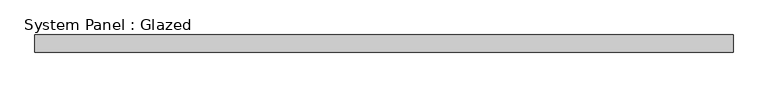
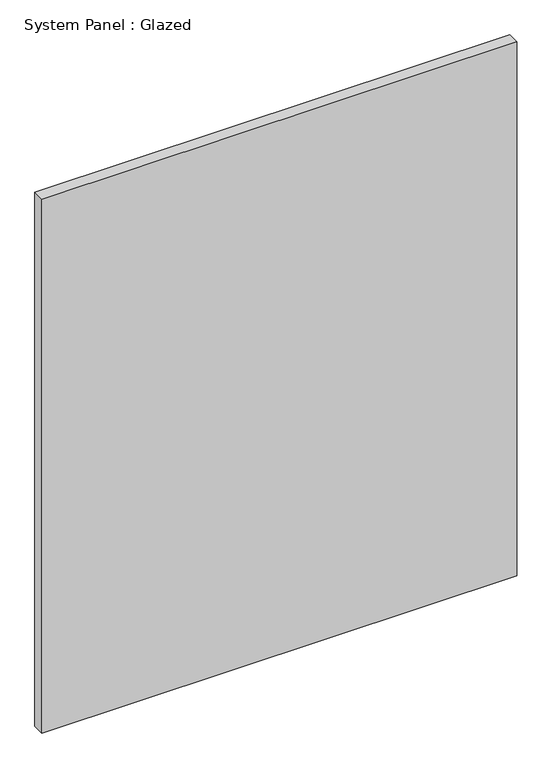
"""IFC4 building model written with IfcOpenShell, lengths in millimetres: plate geometry, System Panel : Glazed."""

import ifcopenshell
import ifcopenshell.guid

model = None  # the IFC model being written
_history = None  # IfcOwnerHistory: only IFC2X3 demands one
_inside = {}  # id of a spatial element -> (the spatial element, [elements in it])
_under = {}  # id of a project, library or spatial element -> (it, [spatial elements below it])
_declared = {}  # id of a project -> (the project, [libraries it declares])
_typed = {}  # id of a type object -> (the type object, [elements of that type])
_made_of = {}  # id of a material, layer set ... -> (it, [elements and type objects made of it])


def new_model(schema):
    """Start an empty IFC model of exactly this schema.

    Asked for "IFC4X3", IfcOpenShell would pick the latest addendum, in which some entities
    have other attributes; the version numbers below select the first issue.
    IFC2X3 requires an IfcOwnerHistory on every rooted entity: one is made here for all.
    """
    global model, _history
    if schema == "IFC4X3":
        model = ifcopenshell.file(schema_version=(4, 3, 0, 0))
    else:
        model = ifcopenshell.file(schema=schema)
    _inside.clear()
    _under.clear()
    _declared.clear()
    _typed.clear()
    _made_of.clear()
    _history = None
    if model.schema == "IFC2X3":
        org = make("IfcOrganization", Name="unknown")
        user = make(
            "IfcPersonAndOrganization",
            ThePerson=make("IfcPerson", FamilyName="unknown"),
            TheOrganization=org,
        )
        app = make(
            "IfcApplication",
            ApplicationDeveloper=org,
            Version="unknown",
            ApplicationFullName="unknown",
            ApplicationIdentifier="unknown",
        )
        _history = make(
            "IfcOwnerHistory",
            OwningUser=user,
            OwningApplication=app,
            ChangeAction="ADDED",
            CreationDate=0,
        )
    return model


def make(cls, **values):
    """One entity of the class cls with the attributes given. An attribute that is None is left unset."""
    return model.create_entity(
        cls, **{name: value for name, value in values.items() if value is not None}
    )


def rooted(cls, **values):
    """An entity with a GlobalId (a new one), such as an element, a storey or a relation."""
    return make(cls, GlobalId=ifcopenshell.guid.new(), OwnerHistory=_history, **values)


def si_unit(unit_type, name, prefix=None):
    """IfcSIUnit, for example si_unit("LENGTHUNIT", "METRE", prefix="MILLI")."""
    return make("IfcSIUnit", UnitType=unit_type, Prefix=prefix, Name=name)


def assignment(units):
    """IfcUnitAssignment: the units of a project."""
    return None if units is None else make("IfcUnitAssignment", Units=units)


def point(xyz):
    """IfcCartesianPoint."""
    return None if xyz is None else make("IfcCartesianPoint", Coordinates=xyz)


def direction(xyz):
    """IfcDirection."""
    return None if xyz is None else make("IfcDirection", DirectionRatios=xyz)


def frame(location, z_axis=None, x_axis=None):
    """IfcAxis2Placement3D, a coordinate frame: its origin and axes. An axis left out is left unset."""
    return make(
        "IfcAxis2Placement3D",
        Location=point(location),
        Axis=direction(z_axis),
        RefDirection=direction(x_axis),
    )


def origin():
    """The frame at (0, 0, 0) with its axes left unset."""
    return frame((0.0, 0.0, 0.0))


def origin_with_axes():
    """The frame at (0, 0, 0) with the z axis (0, 0, 1) and the x axis (1, 0, 0) written out."""
    return frame((0.0, 0.0, 0.0), z_axis=(0.0, 0.0, 1.0), x_axis=(1.0, 0.0, 0.0))


def place(relative_to, where):
    """IfcLocalPlacement: puts the frame where relative to a parent placement (None: the world)."""
    return make(
        "IfcLocalPlacement", PlacementRelTo=relative_to, RelativePlacement=where
    )


def context(
    kind, dimensions, precision=None, world=None, true_north=None, identifier=None
):
    """IfcGeometricRepresentationContext, for example the 3D "Model" context."""
    return make(
        "IfcGeometricRepresentationContext",
        ContextIdentifier=identifier,
        ContextType=kind,
        CoordinateSpaceDimension=dimensions,
        Precision=precision,
        WorldCoordinateSystem=world,
        TrueNorth=true_north,
    )


def project(units=None, contexts=None):
    """IfcProject with its units and contexts."""
    return rooted(
        "IfcProject",
        Name="project",
        RepresentationContexts=contexts,
        UnitsInContext=assignment(units),
    )


def spatial(cls, under=None, at=None, **own):
    """A site, building, storey or space (cls), placed at a placement, below another one or the project."""
    s = rooted(cls, ObjectPlacement=at, **own)
    if under is not None:
        _under.setdefault(under.id(), (under, []))[1].append(s)
    return s


def polyline(points):
    """IfcPolyline through the points."""
    return make("IfcPolyline", Points=[point(p) for p in points])


def outline(outer, holes=None, kind="AREA"):
    """IfcArbitraryClosedProfileDef: a profile drawn as a closed curve; with holes, ...WithVoids."""
    if holes is None:
        return make("IfcArbitraryClosedProfileDef", ProfileType=kind, OuterCurve=outer)
    return make(
        "IfcArbitraryProfileDefWithVoids",
        ProfileType=kind,
        OuterCurve=outer,
        InnerCurves=holes,
    )


def extrude(swept, where, along, depth):
    """IfcExtrudedAreaSolid: the profile swept, set in the frame where, extruded along a direction by depth."""
    return make(
        "IfcExtrudedAreaSolid",
        SweptArea=swept,
        Position=where,
        ExtrudedDirection=direction(along),
        Depth=depth,
    )


def shape(context_of_items, identifier, shape_type, items):
    """IfcShapeRepresentation: the items that make up one representation, for example the "Body"."""
    return make(
        "IfcShapeRepresentation",
        ContextOfItems=context_of_items,
        RepresentationIdentifier=identifier,
        RepresentationType=shape_type,
        Items=items,
    )


def source(mapping_origin, context_of_items, identifier, shape_type, items):
    """IfcRepresentationMap: a shape defined once, which mapped items show again and again."""
    return make(
        "IfcRepresentationMap",
        MappingOrigin=mapping_origin,
        MappedRepresentation=shape(context_of_items, identifier, shape_type, items),
    )


def transform(
    local_origin,
    x_axis=None,
    y_axis=None,
    z_axis=None,
    scale=None,
    scale2=None,
    scale3=None,
    uniform=True,
):
    """IfcCartesianTransformationOperator3D, or its non-uniform kind. x_axis, y_axis, z_axis: its Axis1, 2, 3."""
    if uniform:
        return make(
            "IfcCartesianTransformationOperator3D",
            Axis1=direction(x_axis),
            Axis2=direction(y_axis),
            LocalOrigin=point(local_origin),
            Scale=scale,
            Axis3=direction(z_axis),
        )
    return make(
        "IfcCartesianTransformationOperator3DnonUniform",
        Axis1=direction(x_axis),
        Axis2=direction(y_axis),
        LocalOrigin=point(local_origin),
        Scale=scale,
        Axis3=direction(z_axis),
        Scale2=scale2,
        Scale3=scale3,
    )


def mapped(mapping_source, mapping_target):
    """IfcMappedItem: shows the shape of a source again, moved by a transform."""
    return make(
        "IfcMappedItem", MappingSource=mapping_source, MappingTarget=mapping_target
    )


def made_of(thing, what):
    """Note that an element or type object is made of a material, layer set ...; save() writes the relation."""
    if what is not None:
        _made_of.setdefault(what.id(), (what, []))[1].append(thing)
    return thing


def element(
    cls,
    number,
    at=None,
    inside=None,
    cuts=None,
    type_object=None,
    material=None,
    context=None,
    identifier="Body",
    shape_type=None,
    held_by="IfcProductDefinitionShape",
    body=None,
    shapes=None,
    **own,
):
    """One element of the class cls, such as IfcWall. Its Tag is "e" and its number.

    at: its placement. inside: the storey or other place that contains it. cuts: it is an
    opening in that element (IfcRelVoidsElement). A single representation is given by context,
    identifier, shape_type and body (its items); several are given by shapes. held_by: the class
    of the entity that holds the representations. save() writes the other relations.
    """
    e = rooted(cls, Tag="e%d" % number, ObjectPlacement=at, **own)
    if body is not None:
        shapes = [shape(context, identifier, shape_type, body)]
    if shapes is not None:
        e.Representation = make(held_by, Representations=shapes)
    if inside is not None:
        _inside.setdefault(inside.id(), (inside, []))[1].append(e)
    if cuts is not None:
        rooted(
            "IfcRelVoidsElement", RelatingBuildingElement=cuts, RelatedOpeningElement=e
        )
    if type_object is not None:
        _typed.setdefault(type_object.id(), (type_object, []))[1].append(e)
    return made_of(e, material)


def aggregate(whole, parts):
    """IfcRelAggregates: a whole, such as a stair, and the parts it consists of."""
    return rooted("IfcRelAggregates", RelatingObject=whole, RelatedObjects=parts)


def save(model, path):
    """Write the relations noted so far, then the file.

    IfcRelAggregates (storeys below a building ...), IfcRelContainedInSpatialStructure (elements
    in a storey), IfcRelDefinesByType, IfcRelAssociatesMaterial and IfcRelDeclares: one each for
    every whole, place, type object, material and project.
    """
    for whole, parts in _under.values():
        aggregate(whole, parts)
    for where, things in _inside.values():
        rooted(
            "IfcRelContainedInSpatialStructure",
            RelatedElements=things,
            RelatingStructure=where,
        )
    for kind, things in _typed.values():
        rooted("IfcRelDefinesByType", RelatedObjects=things, RelatingType=kind)
    for what, things in _made_of.values():
        rooted("IfcRelAssociatesMaterial", RelatedObjects=things, RelatingMaterial=what)
    for by, libraries in _declared.values():
        rooted("IfcRelDeclares", RelatingContext=by, RelatedDefinitions=libraries)
    model.write(path)


def system_panel_glazed_9625d7da(model_context):
    return source(origin(), model_context, "Body", "SweptSolid", [
        extrude(outline(polyline([(504.75, 19.05), (-504.75, 19.05), (-504.75, 44.45), (504.75, 44.45), (504.75, 19.05)])), origin_with_axes(), (0.0, 0.0, 1.0), 1200.0),
    ])


if __name__ == "__main__":
    model = new_model("IFC4")
    model_context = context("Model", 3, world=origin())
    ifc_project = project(units=[si_unit("LENGTHUNIT", "METRE", prefix="MILLI")], contexts=[model_context])
    site = spatial("IfcSite", under=ifc_project)
    building = spatial("IfcBuilding", under=site)
    placement = place(None, origin())
    system_panel_glazed_shape = system_panel_glazed_9625d7da(model_context)
    element("IfcPlate", 1, ObjectType="System Panel : Glazed", at=placement, inside=building, context=model_context, shape_type="MappedRepresentation", body=[
        mapped(system_panel_glazed_shape, transform((0.0, 0.0, 0.0), x_axis=(1.0, 0.0, 0.0), y_axis=(0.0, 1.0, 0.0), z_axis=(0.0, 0.0, 1.0))),
    ])
    save(model, "model.ifc")
